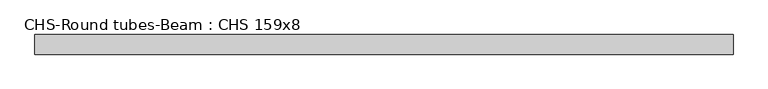
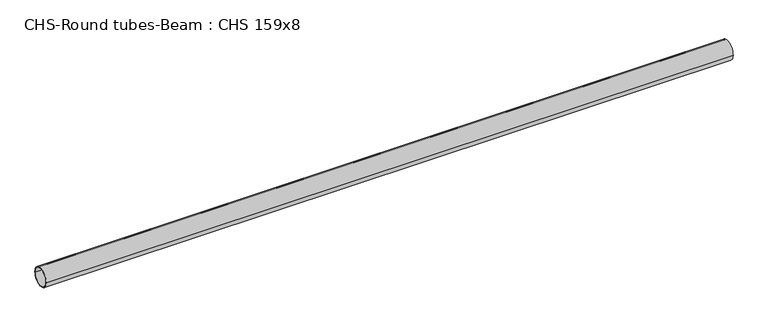
"""IFC4 building model written with IfcOpenShell, lengths in millimetres: beam geometry, CHS-Round tubes-Beam : CHS 159x8."""

from ifc_helpers import new_model, si_unit, point, frame, origin, origin_2d, place, context, project, spatial, circle_curve, trimmed, segment, composite_curve, outline, extrude, source, transform, mapped, element, save


def chs_round_tubes_beam_chs_159x8_bef6abc6(model_context):
    return source(origin(), model_context, "Body", "SweptSolid", [
        extrude(outline(composite_curve([segment(trimmed(circle_curve(origin_2d(), 79.5), [point((79.5, 0.0))], [point((-79.5, 0.0))], False, "CARTESIAN"), True, "CONTINUOUS"), segment(trimmed(circle_curve(origin_2d(), 79.5), [point((-79.5, 0.0))], [point((79.5, 0.0))], False, "CARTESIAN"), True, "CONTINUOUS")], self_intersect=False), holes=[composite_curve([segment(trimmed(circle_curve(origin_2d(), 71.5), [point((71.5, 0.0))], [point((-71.5, 0.0))], True, "CARTESIAN"), True, "CONTINUOUS"), segment(trimmed(circle_curve(origin_2d(), 71.5), [point((-71.5, 0.0))], [point((71.5, 0.0))], True, "CARTESIAN"), True, "CONTINUOUS")], self_intersect=False)]), frame((-2718.9520954, 0.0, 0.0), z_axis=(1.0, 0.0, 0.0), x_axis=(0.0, 1.0, 0.0)), (0.0, 0.0, 1.0), 5664.793377),
    ])


if __name__ == "__main__":
    model = new_model("IFC4")
    model_context = context("Model", 3, world=origin())
    ifc_project = project(units=[si_unit("LENGTHUNIT", "METRE", prefix="MILLI")], contexts=[model_context])
    site = spatial("IfcSite", under=ifc_project)
    building = spatial("IfcBuilding", under=site)
    placement = place(None, origin())
    chs_round_tubes_beam_chs_159x8_shape = chs_round_tubes_beam_chs_159x8_bef6abc6(model_context)
    element("IfcBeam", 1, ObjectType="CHS-Round tubes-Beam : CHS 159x8", at=placement, inside=building, context=model_context, shape_type="MappedRepresentation", body=[
        mapped(chs_round_tubes_beam_chs_159x8_shape, transform((0.0, 0.0, 0.0), x_axis=(1.0, 0.0, 0.0), y_axis=(0.0, 1.0, 0.0), z_axis=(0.0, 0.0, 1.0))),
    ])
    save(model, "model.ifc")
